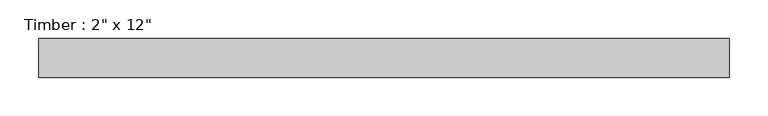
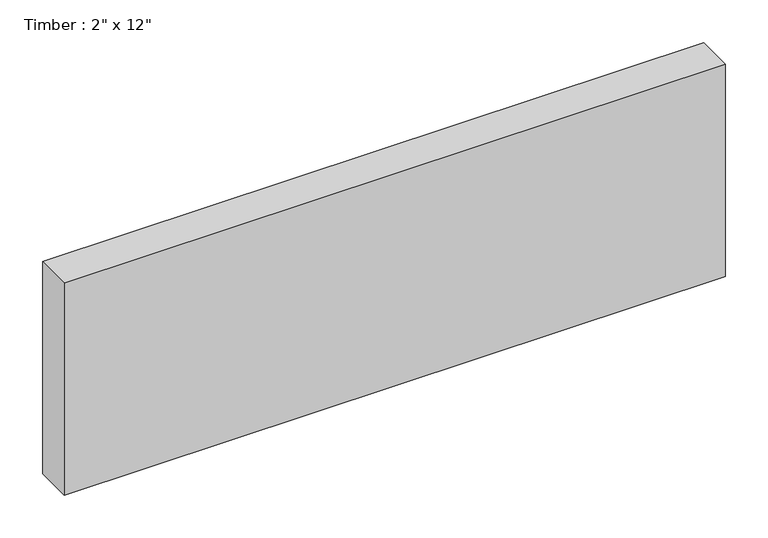
"""IFC4 building model written with IfcOpenShell, lengths in millimetres: beam geometry."""

from ifc_helpers import new_model, si_unit, frame, origin, place, context, project, spatial, polyline, outline, extrude, source, transform, mapped, element, save


def beam_f63d6c62(model_context):
    return source(origin(), model_context, "Body", "SweptSolid", [
        extrude(outline(polyline([(448.5846587, 25.4), (448.5846587, -25.4), (-448.5846587, -25.4), (-448.5846587, 25.4), (448.5846587, 25.4)])), frame((0.0, 0.0, -152.4), z_axis=(0.0, 0.0, 1.0), x_axis=(1.0, 0.0, 0.0)), (0.0, 0.0, 1.0), 304.8),
    ])


if __name__ == "__main__":
    model = new_model("IFC4")
    model_context = context("Model", 3, world=origin())
    ifc_project = project(units=[si_unit("LENGTHUNIT", "METRE", prefix="MILLI")], contexts=[model_context])
    site = spatial("IfcSite", under=ifc_project)
    building = spatial("IfcBuilding", under=site)
    placement = place(None, origin())
    beam_shape = beam_f63d6c62(model_context)
    element("IfcBeam", 1, ObjectType="Timber : 2\" x 12\"", at=placement, inside=building, context=model_context, shape_type="MappedRepresentation", body=[
        mapped(beam_shape, transform((0.0, 0.0, 0.0), x_axis=(1.0, 0.0, 0.0), y_axis=(0.0, 1.0, 0.0), z_axis=(0.0, 0.0, 1.0))),
    ])
    save(model, "model.ifc")
